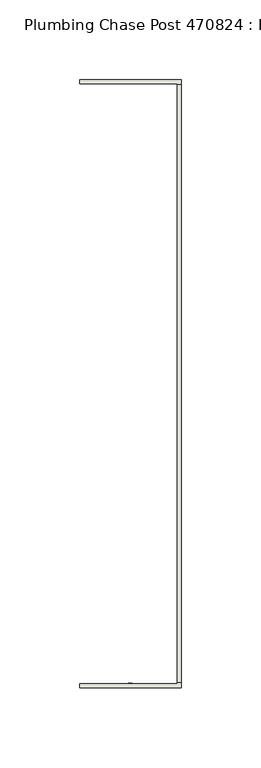
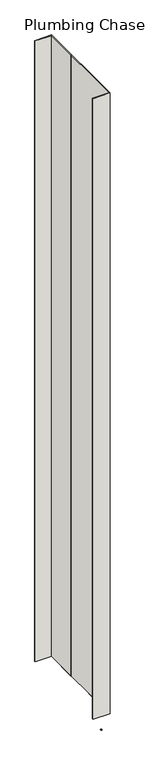
"""IFC4 building model written with IfcOpenShell, lengths in millimetres: wall geometry, Plumbing Chase Post 470824 : Plumbing Chase Post 470824."""

from ifc_helpers import new_model, si_unit, frame, origin, place, context, project, spatial, polyline, outline, extrude, source, transform, mapped, element, save


def plumbing_chase_post_470824_plumbing_chase_post_470824_ea7356c6(model_context):
    return source(origin(), model_context, "Body", "SweptSolid", [
        extrude(outline(polyline([(64721.142211, -51725.2756196), (64721.142211, -51722.7356196), (64723.682211, -51722.7356196), (64723.682211, -51725.2756196), (64721.142211, -51725.2756196)])), frame((0.0, 0.0, 4419.6), z_axis=(0.0, 0.0, 1.0), x_axis=(1.0, 0.0, 0.0)), (0.0, 0.0, 1.0), 2.54),
        extrude(outline(polyline([(64754.4040444, -51346.9650732), (64754.4040444, -51722.5793334), (64751.7375524, -51722.5793334), (64751.7375524, -51346.9650732), (64754.4040444, -51346.9650732)])), frame((0.0, 0.0, 4474.8958), z_axis=(0.0, 0.0, 1.0), x_axis=(1.0, 0.0, 0.0)), (0.0, 0.0, 1.0), 2481.1482254),
        extrude(outline(polyline([(64754.4040444, -51346.9650732), (64754.4040444, -51722.5793334), (64751.7375524, -51722.5793334), (64751.7375524, -51346.9650732), (64754.4040444, -51346.9650732)])), frame((0.0, 0.0, 4474.8958), z_axis=(0.0, 0.0, 1.0), x_axis=(1.0, 0.0, 0.0)), (0.0, 0.0, 1.0), 2481.1482254),
        extrude(outline(polyline([(64754.4040444, -51343.5358192), (64754.4040444, -51476.8858192), (64751.7375524, -51476.8858192), (64751.7375524, -51346.1775208), (64690.3955618, -51346.2023112), (64690.3955618, -51343.5358192), (64754.4040444, -51343.5358192)])), frame((0.0, 0.0, 4474.8958), z_axis=(0.0, 0.0, 1.0), x_axis=(1.0, 0.0, 0.0)), (0.0, 0.0, 1.0), 2481.1482254),
        extrude(outline(polyline([(64754.4040444, -51343.5358192), (64754.4040444, -51476.8858192), (64751.7375524, -51476.8858192), (64751.7375524, -51346.1775208), (64690.3955618, -51346.2023112), (64690.3955618, -51343.5358192), (64754.4040444, -51343.5358192)])), frame((0.0, 0.0, 4474.8958), z_axis=(0.0, 0.0, 1.0), x_axis=(1.0, 0.0, 0.0)), (0.0, 0.0, 1.0), 2481.1482254),
        extrude(outline(polyline([(64751.7375524, -51592.6834032), (64754.4040444, -51592.6834032), (64754.4040444, -51726.0334032), (64690.3955618, -51726.0334032), (64690.3955618, -51723.3668858), (64751.7375524, -51723.3668858), (64751.7375524, -51592.6834032)])), frame((0.0, 0.0, 4474.8958), z_axis=(0.0, 0.0, 1.0), x_axis=(1.0, 0.0, 0.0)), (0.0, 0.0, 1.0), 2481.1482254),
        extrude(outline(polyline([(64751.7375524, -51592.6834032), (64754.4040444, -51592.6834032), (64754.4040444, -51726.0334032), (64690.3955618, -51726.0334032), (64690.3955618, -51723.3668858), (64751.7375524, -51723.3668858), (64751.7375524, -51592.6834032)])), frame((0.0, 0.0, 4474.8958), z_axis=(0.0, 0.0, 1.0), x_axis=(1.0, 0.0, 0.0)), (0.0, 0.0, 1.0), 2481.1482254),
    ])


if __name__ == "__main__":
    model = new_model("IFC4")
    model_context = context("Model", 3, world=origin())
    ifc_project = project(units=[si_unit("LENGTHUNIT", "METRE", prefix="MILLI")], contexts=[model_context])
    site = spatial("IfcSite", under=ifc_project)
    building = spatial("IfcBuilding", under=site)
    placement = place(None, origin())
    plumbing_chase_post_470824_plumbing_chase_post_470824_shape = plumbing_chase_post_470824_plumbing_chase_post_470824_ea7356c6(model_context)
    element("IfcWall", 1, ObjectType="Plumbing Chase Post 470824 : Plumbing Chase Post 470824", at=placement, inside=building, context=model_context, shape_type="MappedRepresentation", body=[
        mapped(plumbing_chase_post_470824_plumbing_chase_post_470824_shape, transform((0.0, 0.0, 0.0), x_axis=(1.0, 0.0, 0.0), y_axis=(0.0, 1.0, 0.0), z_axis=(0.0, 0.0, 1.0))),
    ])
    save(model, "model.ifc")
